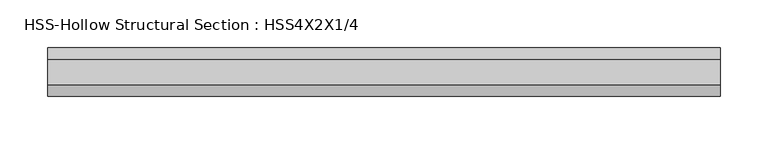
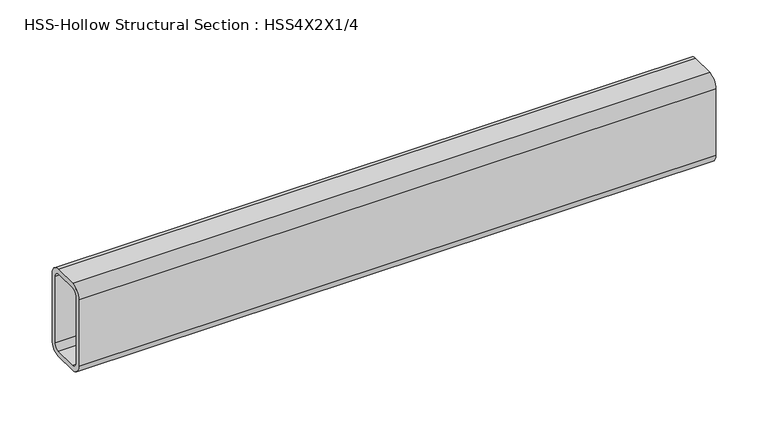
"""IFC4 building model written with IfcOpenShell, lengths in millimetres: beam geometry, HSS-Hollow Structural Section : HSS4X2X1/4."""

from ifc_helpers import new_model, si_unit, point, frame, frame_2d, origin, place, context, project, spatial, polyline, circle_curve, trimmed, segment, composite_curve, outline, extrude, source, transform, mapped, element, save


def hss_hollow_structural_section_hss4x2x1_4_f479f4e0(model_context):
    return source(origin(), model_context, "Body", "SweptSolid", [
        extrude(outline(composite_curve([segment(polyline([(25.4, 38.9636), (25.4, -38.9636)]), True, "CONTINUOUS"), segment(trimmed(circle_curve(frame_2d((13.5636, -38.9636)), 11.8364), [point((25.4, -38.9636))], [point((13.5636, -50.8))], False, "CARTESIAN"), True, "CONTINUOUS"), segment(polyline([(13.5636, -50.8), (-13.5636, -50.8)]), True, "CONTINUOUS"), segment(trimmed(circle_curve(frame_2d((-13.5636, -38.9636)), 11.8364), [point((-13.5636, -50.8))], [point((-25.4, -38.9636))], False, "CARTESIAN"), True, "CONTINUOUS"), segment(polyline([(-25.4, -38.9636), (-25.4, 38.9636)]), True, "CONTINUOUS"), segment(trimmed(circle_curve(frame_2d((-13.5636, 38.9636)), 11.8364), [point((-25.4, 38.9636))], [point((-13.5636, 50.8))], False, "CARTESIAN"), True, "CONTINUOUS"), segment(polyline([(-13.5636, 50.8), (13.5636, 50.8)]), True, "CONTINUOUS"), segment(trimmed(circle_curve(frame_2d((13.5636, 38.9636)), 11.8364), [point((13.5636, 50.8))], [point((25.4, 38.9636))], False, "CARTESIAN"), True, "CONTINUOUS")], self_intersect=False), holes=[composite_curve([segment(trimmed(circle_curve(frame_2d((-13.5636, 38.9636)), 5.9182), [point((-13.5636, 44.8818))], [point((-19.4818, 38.9636))], True, "CARTESIAN"), True, "CONTINUOUS"), segment(polyline([(-19.4818, 38.9636), (-19.4818, -38.9636)]), True, "CONTINUOUS"), segment(trimmed(circle_curve(frame_2d((-13.5636, -38.9636)), 5.9182), [point((-19.4818, -38.9636))], [point((-13.5636, -44.8818))], True, "CARTESIAN"), True, "CONTINUOUS"), segment(polyline([(-13.5636, -44.8818), (13.5636, -44.8818)]), True, "CONTINUOUS"), segment(trimmed(circle_curve(frame_2d((13.5636, -38.9636)), 5.9182), [point((13.5636, -44.8818))], [point((19.4818, -38.9636))], True, "CARTESIAN"), True, "CONTINUOUS"), segment(polyline([(19.4818, -38.9636), (19.4818, 38.9636)]), True, "CONTINUOUS"), segment(trimmed(circle_curve(frame_2d((13.5636, 38.9636)), 5.9182), [point((19.4818, 38.9636))], [point((13.5636, 44.8818))], True, "CARTESIAN"), True, "CONTINUOUS"), segment(polyline([(13.5636, 44.8818), (-13.5636, 44.8818)]), True, "CONTINUOUS")], self_intersect=False)]), frame((-352.425, 0.0, 0.0), z_axis=(1.0, 0.0, 0.0), x_axis=(0.0, 1.0, 0.0)), (0.0, 0.0, 1.0), 704.85),
    ])


if __name__ == "__main__":
    model = new_model("IFC4")
    model_context = context("Model", 3, world=origin())
    ifc_project = project(units=[si_unit("LENGTHUNIT", "METRE", prefix="MILLI")], contexts=[model_context])
    site = spatial("IfcSite", under=ifc_project)
    building = spatial("IfcBuilding", under=site)
    placement = place(None, origin())
    hss_hollow_structural_section_hss4x2x1_4_shape = hss_hollow_structural_section_hss4x2x1_4_f479f4e0(model_context)
    element("IfcBeam", 1, ObjectType="HSS-Hollow Structural Section : HSS4X2X1/4", at=placement, inside=building, context=model_context, shape_type="MappedRepresentation", body=[
        mapped(hss_hollow_structural_section_hss4x2x1_4_shape, transform((0.0, 0.0, 0.0), x_axis=(1.0, 0.0, 0.0), y_axis=(0.0, 1.0, 0.0), z_axis=(0.0, 0.0, 1.0))),
    ])
    save(model, "model.ifc")
